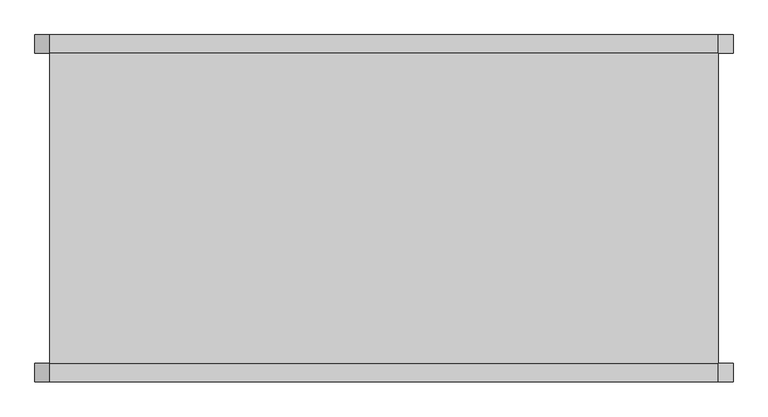
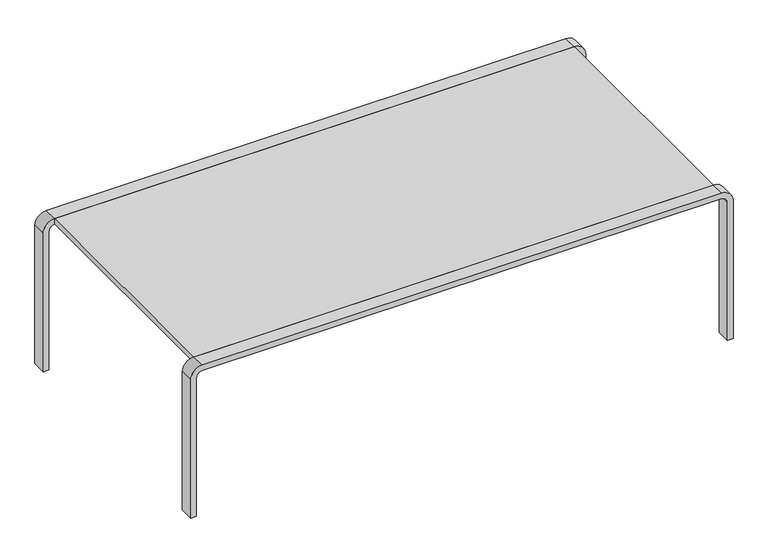
"""IFC4 building model written with IfcOpenShell, lengths in millimetres: furniture geometry."""

from ifc_helpers import new_model, si_unit, point, frame, frame_2d, origin, place, context, project, spatial, polyline, circle_curve, trimmed, segment, composite_curve, outline, extrude, source, transform, mapped, element, save


def furniture_c1e842ba(model_context):
    return source(origin(), model_context, "Body", "SweptSolid", [
        extrude(outline(polyline([(574.675, 266.7), (574.675, -266.7), (-574.675, -266.7), (-574.675, 266.7), (574.675, 266.7)])), frame((0.0, 0.0, 336.55), z_axis=(0.0, 0.0, 1.0), x_axis=(1.0, 0.0, 0.0)), (0.0, 0.0, 1.0), 12.7),
        extrude(outline(composite_curve([segment(polyline([(323.85, -600.075), (0.0, -600.075), (0.0, -587.375), (323.85, -587.375)]), True, "CONTINUOUS"), segment(trimmed(circle_curve(frame_2d((323.85, -574.675)), 12.7), [point((323.85, -587.375))], [point((336.55, -574.675))], True, "CARTESIAN"), True, "CONTINUOUS"), segment(polyline([(336.55, -574.675), (336.55, 574.675)]), True, "CONTINUOUS"), segment(trimmed(circle_curve(frame_2d((323.85, 574.675)), 12.7), [point((336.55, 574.675))], [point((323.85, 587.375))], True, "CARTESIAN"), True, "CONTINUOUS"), segment(polyline([(323.85, 587.375), (0.0, 587.375), (0.0, 600.075), (323.85, 600.075)]), True, "CONTINUOUS"), segment(trimmed(circle_curve(frame_2d((323.85, 574.675)), 25.4), [point((323.85, 600.075))], [point((349.25, 574.675))], False, "CARTESIAN"), True, "CONTINUOUS"), segment(polyline([(349.25, 574.675), (349.25, -574.675)]), True, "CONTINUOUS"), segment(trimmed(circle_curve(frame_2d((323.85, -574.675)), 25.4), [point((349.25, -574.675))], [point((323.85, -600.075))], False, "CARTESIAN"), True, "CONTINUOUS")], self_intersect=False)), frame((0.0, 266.7, 0.0), z_axis=(0.0, 1.0, 0.0), x_axis=(0.0, 0.0, 1.0)), (0.0, 0.0, 1.0), 31.75),
        extrude(outline(composite_curve([segment(polyline([(323.85, -600.075), (0.0, -600.075), (0.0, -587.375), (323.85, -587.375)]), True, "CONTINUOUS"), segment(trimmed(circle_curve(frame_2d((323.85, -574.675)), 12.7), [point((323.85, -587.375))], [point((336.55, -574.675))], True, "CARTESIAN"), True, "CONTINUOUS"), segment(polyline([(336.55, -574.675), (336.55, 574.675)]), True, "CONTINUOUS"), segment(trimmed(circle_curve(frame_2d((323.85, 574.675)), 12.7), [point((336.55, 574.675))], [point((323.85, 587.375))], True, "CARTESIAN"), True, "CONTINUOUS"), segment(polyline([(323.85, 587.375), (0.0, 587.375), (0.0, 600.075), (323.85, 600.075)]), True, "CONTINUOUS"), segment(trimmed(circle_curve(frame_2d((323.85, 574.675)), 25.4), [point((323.85, 600.075))], [point((349.25, 574.675))], False, "CARTESIAN"), True, "CONTINUOUS"), segment(polyline([(349.25, 574.675), (349.25, -574.675)]), True, "CONTINUOUS"), segment(trimmed(circle_curve(frame_2d((323.85, -574.675)), 25.4), [point((349.25, -574.675))], [point((323.85, -600.075))], False, "CARTESIAN"), True, "CONTINUOUS")], self_intersect=False)), frame((0.0, -298.45, 0.0), z_axis=(0.0, 1.0, 0.0), x_axis=(0.0, 0.0, 1.0)), (0.0, 0.0, 1.0), 31.75),
    ])


if __name__ == "__main__":
    model = new_model("IFC4")
    model_context = context("Model", 3, world=origin())
    ifc_project = project(units=[si_unit("LENGTHUNIT", "METRE", prefix="MILLI")], contexts=[model_context])
    site = spatial("IfcSite", under=ifc_project)
    building = spatial("IfcBuilding", under=site)
    placement = place(None, origin())
    furniture_shape = furniture_c1e842ba(model_context)
    element("IfcFurniture", 1, at=placement, inside=building, context=model_context, shape_type="MappedRepresentation", body=[
        mapped(furniture_shape, transform((0.0, 0.0, 0.0), x_axis=(1.0, 0.0, 0.0), y_axis=(0.0, 1.0, 0.0), z_axis=(0.0, 0.0, 1.0))),
    ])
    save(model, "model.ifc")
